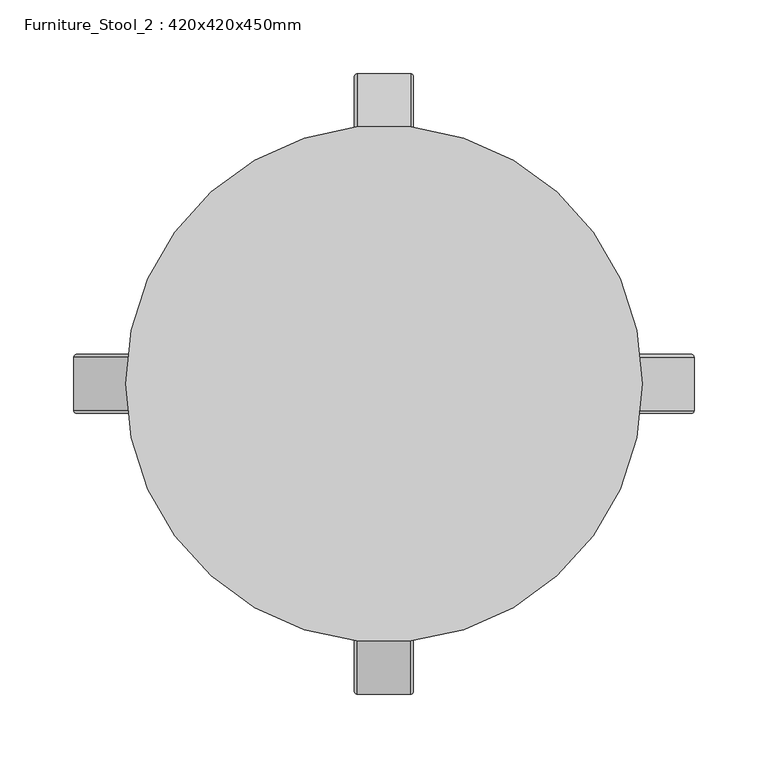
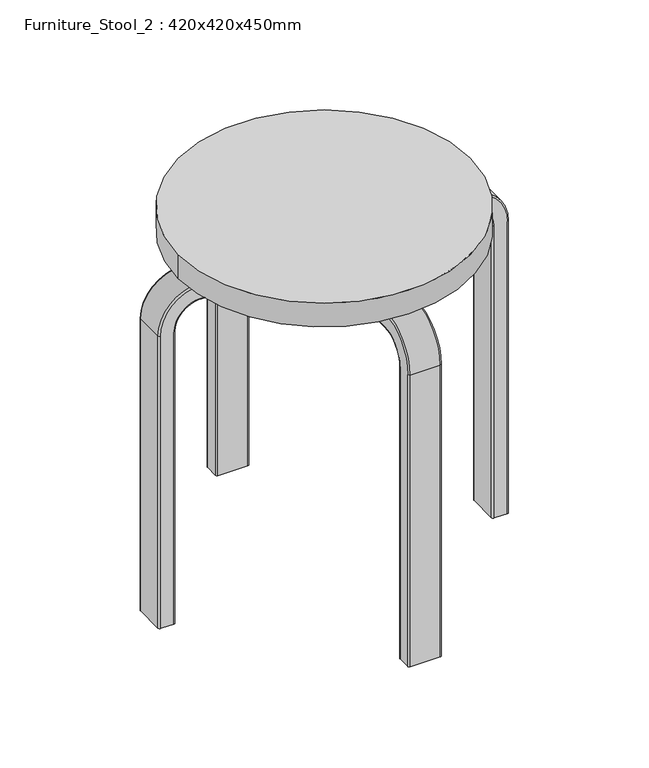
"""IFC4 building model written with IfcOpenShell, lengths in millimetres: furniture geometry, Furniture_Stool_2 : 420x420x450mm."""

from ifc_helpers import new_model, si_unit, point, frame, origin, origin_2d, place, context, project, spatial, polyline, circle_curve, ellipse_curve, trimmed, segment, composite_curve, outline, extrude, source, transform, mapped, element, save
from ifc_brep_helpers import plane_surface, cylinder_surface, revolved_surface, advanced_brep


def furniture_stool_2_420x420x450mm_24384e5f(model_context):
    return source(origin(), model_context, "Body", "SolidModel", [
        advanced_brep(
        [(-20.0, 192.0, 0.0), (-20.0, 208.0, 0.0), (-18.0, 210.0, 0.0), (18.0, 210.0, 0.0), (20.0, 208.0, 0.0), (20.0, 192.0, 0.0), (18.0, 190.0, 0.0), (-18.0, 190.0, 0.0), (-20.0, 192.0, 370.0), (-20.0, 160.0, 402.0), (-20.0, 54.9635481, 402.0), (-20.0, 54.9635481, 418.0), (-20.0, 160.0, 418.0), (-20.0, 208.0, 370.0), (-18.0, 210.0, 370.0), (18.0, 210.0, 370.0), (20.0, 208.0, 370.0), (20.0, 160.0, 418.0), (20.0, 54.9635481, 418.0), (20.0, 54.9635481, 402.0), (20.0, 160.0, 402.0), (20.0, 192.0, 370.0), (18.0, 190.0, 370.0), (-18.0, 190.0, 370.0), (-18.0, 160.0, 420.0), (18.0, 160.0, 420.0), (18.0, 160.0, 400.0), (-18.0, 160.0, 400.0), (-18.0, 54.9635481, 400.0), (18.0, 54.9635481, 400.0), (18.0, 54.9635481, 420.0), (-18.0, 54.9635481, 420.0)],
        [
            (0, 1),
            (1, 2, circle_curve(frame((-18.0, 208.0, 0.0), z_axis=(0.0, 0.0, -1.0), x_axis=(0.0, -1.0, 0.0)), 2.0)),
            (2, 3),
            (3, 4, circle_curve(frame((18.0, 208.0, 0.0), z_axis=(0.0, 0.0, -1.0), x_axis=(0.0, -1.0, 0.0)), 2.0)),
            (4, 5),
            (5, 6, circle_curve(frame((18.0, 192.0, 0.0), z_axis=(0.0, 0.0, -1.0), x_axis=(0.0, -1.0, 0.0)), 2.0)),
            (6, 7),
            (7, 0, circle_curve(frame((-18.0, 192.0, 0.0), z_axis=(0.0, 0.0, -1.0), x_axis=(0.0, -1.0, 0.0)), 2.0)),
            (0, 8),
            (8, 9, circle_curve(frame((-20.0, 160.0, 370.0), z_axis=(1.0, 0.0, 0.0), x_axis=(0.0, 1.0, 0.0)), 32.0)),
            (9, 10),
            (10, 11),
            (11, 12),
            (12, 13, circle_curve(frame((-20.0, 160.0, 370.0), z_axis=(-1.0, 0.0, 0.0), x_axis=(0.0, 1.0, 0.0)), 48.0)),
            (13, 1),
            (13, 14, circle_curve(frame((-18.0, 208.0, 370.0), z_axis=(0.0, 0.0, -1.0), x_axis=(0.0, -1.0, 0.0)), 2.0)),
            (14, 2),
            (14, 15),
            (15, 3),
            (15, 16, circle_curve(frame((18.0, 208.0, 370.0), z_axis=(0.0, 0.0, -1.0), x_axis=(0.0, -1.0, 0.0)), 2.0)),
            (16, 4),
            (16, 17, circle_curve(frame((20.0, 160.0, 370.0), z_axis=(1.0, 0.0, 0.0), x_axis=(0.0, 1.0, 0.0)), 48.0)),
            (17, 18),
            (18, 19),
            (19, 20),
            (20, 21, circle_curve(frame((20.0, 160.0, 370.0), z_axis=(-1.0, 0.0, 0.0), x_axis=(0.0, 1.0, 0.0)), 32.0)),
            (21, 5),
            (21, 22, circle_curve(frame((18.0, 192.0, 370.0), z_axis=(0.0, 0.0, -1.0), x_axis=(0.0, -1.0, 0.0)), 2.0)),
            (22, 6),
            (22, 23),
            (23, 7),
            (23, 8, circle_curve(frame((-18.0, 192.0, 370.0), z_axis=(0.0, 0.0, -1.0), x_axis=(0.0, -1.0, 0.0)), 2.0)),
            (24, 14, circle_curve(frame((-18.0, 160.0, 370.0), z_axis=(-1.0, 0.0, 0.0), x_axis=(0.0, 1.0, 0.0)), 50.0)),
            (12, 24, circle_curve(frame((-18.0, 160.0, 418.0), z_axis=(0.0, 1.0, 0.0), x_axis=(0.0, 0.0, -1.0)), 2.0)),
            (25, 15, circle_curve(frame((18.0, 160.0, 370.0), z_axis=(-1.0, 0.0, 0.0), x_axis=(0.0, 1.0, 0.0)), 50.0)),
            (24, 25),
            (25, 17, circle_curve(frame((18.0, 160.0, 418.0), z_axis=(0.0, 1.0, 0.0), x_axis=(0.0, 0.0, -1.0)), 2.0)),
            (26, 22, circle_curve(frame((18.0, 160.0, 370.0), z_axis=(-1.0, 0.0, 0.0), x_axis=(0.0, 1.0, 0.0)), 30.0)),
            (20, 26, circle_curve(frame((18.0, 160.0, 402.0), z_axis=(0.0, 1.0, 0.0), x_axis=(0.0, 0.0, -1.0)), 2.0)),
            (27, 23, circle_curve(frame((-18.0, 160.0, 370.0), z_axis=(-1.0, 0.0, 0.0), x_axis=(0.0, 1.0, 0.0)), 30.0)),
            (26, 27),
            (27, 9, circle_curve(frame((-18.0, 160.0, 402.0), z_axis=(0.0, 1.0, 0.0), x_axis=(0.0, 0.0, -1.0)), 2.0)),
            (10, 28, circle_curve(frame((-18.0, 54.9635481, 402.0), z_axis=(0.0, -1.0, 0.0), x_axis=(0.0, 0.0, -1.0)), 2.0)),
            (28, 29),
            (29, 19, circle_curve(frame((18.0, 54.9635481, 402.0), z_axis=(0.0, -1.0, 0.0), x_axis=(0.0, 0.0, -1.0)), 2.0)),
            (18, 30, circle_curve(frame((18.0, 54.9635481, 418.0), z_axis=(0.0, -1.0, 0.0), x_axis=(0.0, 0.0, -1.0)), 2.0)),
            (30, 31),
            (31, 11, circle_curve(frame((-18.0, 54.9635481, 418.0), z_axis=(0.0, -1.0, 0.0), x_axis=(0.0, 0.0, -1.0)), 2.0)),
            (31, 24),
            (30, 25),
            (29, 26),
            (28, 27),
        ],
        [
            plane_surface(frame((0.0, 210.0, 0.0), z_axis=(0.0, 0.0, -1.0), x_axis=(1.0, 0.0, 0.0))),
            plane_surface(frame((-20.0, 192.0, 0.0), z_axis=(-1.0, 0.0, 0.0), x_axis=(0.0, 0.0, 1.0))),
            cylinder_surface(frame((-18.0, 208.0, 0.0), z_axis=(0.0, 0.0, -1.0), x_axis=(0.0, -1.0, 0.0)), 2.0),
            plane_surface(frame((-18.0, 210.0, 0.0), z_axis=(0.0, 1.0, 0.0), x_axis=(0.0, 0.0, 1.0))),
            cylinder_surface(frame((18.0, 208.0, 0.0), z_axis=(0.0, 0.0, -1.0), x_axis=(0.0, -1.0, 0.0)), 2.0),
            plane_surface(frame((20.0, 208.0, 0.0), z_axis=(1.0, 0.0, 0.0), x_axis=(0.0, 0.0, 1.0))),
            cylinder_surface(frame((18.0, 192.0, 0.0), z_axis=(0.0, 0.0, -1.0), x_axis=(0.0, -1.0, 0.0)), 2.0),
            plane_surface(frame((18.0, 190.0, 0.0), z_axis=(0.0, -1.0, 0.0), x_axis=(0.0, 0.0, 1.0))),
            cylinder_surface(frame((-18.0, 192.0, 0.0), z_axis=(0.0, 0.0, -1.0), x_axis=(0.0, -1.0, 0.0)), 2.0),
            revolved_surface(trimmed(ellipse_curve(frame((-18.0, 208.0, 370.0), z_axis=(0.0, 0.0, -1.0), x_axis=(0.0, -1.0, 0.0)), 2.0, 2.0), [point((-20.0, 208.0, 370.0))], [point((-18.0, 210.0, 370.0))], True, "CARTESIAN"), (0.0, 160.0, 370.0), (1.0, 0.0, 0.0)),
            cylinder_surface(frame((0.0, 160.0, 370.0), z_axis=(1.0, 0.0, 0.0), x_axis=(0.0, 1.0, 0.0)), 50.0),
            revolved_surface(trimmed(ellipse_curve(frame((18.0, 208.0, 370.0), z_axis=(0.0, 0.0, -1.0), x_axis=(0.0, -1.0, 0.0)), 2.0, 2.0), [point((18.0, 210.0, 370.0))], [point((20.0, 208.0, 370.0))], True, "CARTESIAN"), (0.0, 160.0, 370.0), (1.0, 0.0, 0.0)),
            revolved_surface(trimmed(ellipse_curve(frame((18.0, 192.0, 370.0), z_axis=(0.0, 0.0, -1.0), x_axis=(0.0, -1.0, 0.0)), 2.0, 2.0), [point((20.0, 192.0, 370.0))], [point((18.0, 190.0, 370.0))], True, "CARTESIAN"), (0.0, 160.0, 370.0), (1.0, 0.0, 0.0)),
            revolved_surface(polyline([(18.0, 190.0, 370.0), (-18.0, 190.0, 370.0)]), (0.0, 160.0, 370.0), (1.0, 0.0, 0.0)),
            revolved_surface(trimmed(ellipse_curve(frame((-18.0, 192.0, 370.0), z_axis=(0.0, 0.0, -1.0), x_axis=(0.0, -1.0, 0.0)), 2.0, 2.0), [point((-18.0, 190.0, 370.0))], [point((-20.0, 192.0, 370.0))], True, "CARTESIAN"), (0.0, 160.0, 370.0), (1.0, 0.0, 0.0)),
            plane_surface(frame((0.0, 54.9635481, 420.0), z_axis=(0.0, -1.0, 0.0), x_axis=(1.0, 0.0, 0.0))),
            cylinder_surface(frame((-18.0, 160.0, 418.0), z_axis=(0.0, 1.0, 0.0), x_axis=(0.0, 0.0, -1.0)), 2.0),
            plane_surface(frame((-18.0, 160.0, 420.0), z_axis=(0.0, 0.0, 1.0), x_axis=(0.0, -1.0, 0.0))),
            cylinder_surface(frame((18.0, 160.0, 418.0), z_axis=(0.0, 1.0, 0.0), x_axis=(0.0, 0.0, -1.0)), 2.0),
            cylinder_surface(frame((18.0, 160.0, 402.0), z_axis=(0.0, 1.0, 0.0), x_axis=(0.0, 0.0, -1.0)), 2.0),
            plane_surface(frame((18.0, 160.0, 400.0), z_axis=(0.0, 0.0, -1.0), x_axis=(0.0, -1.0, 0.0))),
            cylinder_surface(frame((-18.0, 160.0, 402.0), z_axis=(0.0, 1.0, 0.0), x_axis=(0.0, 0.0, -1.0)), 2.0),
        ],
        [
            (0, [[1, 2, 3, 4, 5, 6, 7, 8]]),
            (1, [[-1, 9, 10, 11, 12, 13, 14, 15]]),
            (2, [[-2, -15, 16, 17]]),
            (3, [[-3, -17, 18, 19]]),
            (4, [[-4, -19, 20, 21]]),
            (5, [[-5, -21, 22, 23, 24, 25, 26, 27]]),
            (6, [[-6, -27, 28, 29]]),
            (7, [[-7, -29, 30, 31]]),
            (8, [[-8, -31, 32, -9]]),
            (9, [[33, -16, -14, 34]]),
            (10, [[35, -18, -33, 36]]),
            (11, [[-22, -20, -35, 37]]),
            (12, [[38, -28, -26, 39]]),
            (13, [[40, -30, -38, 41]]),
            (14, [[-10, -32, -40, 42]]),
            (15, [[43, 44, 45, -24, 46, 47, 48, -12]]),
            (16, [[-34, -13, -48, 49]]),
            (17, [[-36, -49, -47, 50]]),
            (18, [[-37, -50, -46, -23]]),
            (19, [[-39, -25, -45, 51]]),
            (20, [[-41, -51, -44, 52]]),
            (21, [[-42, -52, -43, -11]]),
        ],
    ),
        advanced_brep(
        [(-20.0, -192.0, 0.0), (-18.0, -190.0, 0.0), (18.0, -190.0, 0.0), (20.0, -192.0, 0.0), (20.0, -208.0, 0.0), (18.0, -210.0, 0.0), (-18.0, -210.0, 0.0), (-20.0, -208.0, 0.0), (-20.0, -192.0, 370.0), (-18.0, -190.0, 370.0), (18.0, -190.0, 370.0), (20.0, -192.0, 370.0), (20.0, -160.0, 402.0), (20.0, -54.9635481, 402.0), (20.0, -54.9635481, 418.0), (20.0, -160.0, 418.0), (20.0, -208.0, 370.0), (18.0, -210.0, 370.0), (-18.0, -210.0, 370.0), (-20.0, -208.0, 370.0), (-20.0, -160.0, 418.0), (-20.0, -54.9635481, 418.0), (-20.0, -54.9635481, 402.0), (-20.0, -160.0, 402.0), (-18.0, -160.0, 400.0), (18.0, -160.0, 400.0), (18.0, -160.0, 420.0), (-18.0, -160.0, 420.0), (-18.0, -54.9635481, 420.0), (18.0, -54.9635481, 420.0), (18.0, -54.9635481, 400.0), (-18.0, -54.9635481, 400.0)],
        [
            (0, 1, circle_curve(frame((-18.0, -192.0, 0.0), z_axis=(0.0, 0.0, -1.0), x_axis=(0.0, 1.0, 0.0)), 2.0)),
            (1, 2),
            (2, 3, circle_curve(frame((18.0, -192.0, 0.0), z_axis=(0.0, 0.0, -1.0), x_axis=(0.0, 1.0, 0.0)), 2.0)),
            (3, 4),
            (4, 5, circle_curve(frame((18.0, -208.0, 0.0), z_axis=(0.0, 0.0, -1.0), x_axis=(0.0, 1.0, 0.0)), 2.0)),
            (5, 6),
            (6, 7, circle_curve(frame((-18.0, -208.0, 0.0), z_axis=(0.0, 0.0, -1.0), x_axis=(0.0, 1.0, 0.0)), 2.0)),
            (7, 0),
            (0, 8),
            (8, 9, circle_curve(frame((-18.0, -192.0, 370.0), z_axis=(0.0, 0.0, -1.0), x_axis=(0.0, 1.0, 0.0)), 2.0)),
            (9, 1),
            (9, 10),
            (10, 2),
            (10, 11, circle_curve(frame((18.0, -192.0, 370.0), z_axis=(0.0, 0.0, -1.0), x_axis=(0.0, 1.0, 0.0)), 2.0)),
            (11, 3),
            (11, 12, circle_curve(frame((20.0, -160.0, 370.0), z_axis=(-1.0, 0.0, 0.0), x_axis=(0.0, -1.0, 0.0)), 32.0)),
            (12, 13),
            (13, 14),
            (14, 15),
            (15, 16, circle_curve(frame((20.0, -160.0, 370.0), z_axis=(1.0, 0.0, 0.0), x_axis=(0.0, -1.0, 0.0)), 48.0)),
            (16, 4),
            (16, 17, circle_curve(frame((18.0, -208.0, 370.0), z_axis=(0.0, 0.0, -1.0), x_axis=(0.0, 1.0, 0.0)), 2.0)),
            (17, 5),
            (17, 18),
            (18, 6),
            (18, 19, circle_curve(frame((-18.0, -208.0, 370.0), z_axis=(0.0, 0.0, -1.0), x_axis=(0.0, 1.0, 0.0)), 2.0)),
            (19, 7),
            (19, 20, circle_curve(frame((-20.0, -160.0, 370.0), z_axis=(-1.0, 0.0, 0.0), x_axis=(0.0, -1.0, 0.0)), 48.0)),
            (20, 21),
            (21, 22),
            (22, 23),
            (23, 8, circle_curve(frame((-20.0, -160.0, 370.0), z_axis=(1.0, 0.0, 0.0), x_axis=(0.0, -1.0, 0.0)), 32.0)),
            (24, 9, circle_curve(frame((-18.0, -160.0, 370.0), z_axis=(1.0, 0.0, 0.0), x_axis=(0.0, -1.0, 0.0)), 30.0)),
            (23, 24, circle_curve(frame((-18.0, -160.0, 402.0), z_axis=(0.0, -1.0, 0.0), x_axis=(0.0, 0.0, -1.0)), 2.0)),
            (25, 10, circle_curve(frame((18.0, -160.0, 370.0), z_axis=(1.0, 0.0, 0.0), x_axis=(0.0, -1.0, 0.0)), 30.0)),
            (24, 25),
            (25, 12, circle_curve(frame((18.0, -160.0, 402.0), z_axis=(0.0, -1.0, 0.0), x_axis=(0.0, 0.0, -1.0)), 2.0)),
            (26, 17, circle_curve(frame((18.0, -160.0, 370.0), z_axis=(1.0, 0.0, 0.0), x_axis=(0.0, -1.0, 0.0)), 50.0)),
            (15, 26, circle_curve(frame((18.0, -160.0, 418.0), z_axis=(0.0, -1.0, 0.0), x_axis=(0.0, 0.0, -1.0)), 2.0)),
            (27, 18, circle_curve(frame((-18.0, -160.0, 370.0), z_axis=(1.0, 0.0, 0.0), x_axis=(0.0, -1.0, 0.0)), 50.0)),
            (26, 27),
            (27, 20, circle_curve(frame((-18.0, -160.0, 418.0), z_axis=(0.0, -1.0, 0.0), x_axis=(0.0, 0.0, -1.0)), 2.0)),
            (21, 28, circle_curve(frame((-18.0, -54.9635481, 418.0), z_axis=(0.0, 1.0, 0.0), x_axis=(0.0, 0.0, -1.0)), 2.0)),
            (28, 29),
            (29, 14, circle_curve(frame((18.0, -54.9635481, 418.0), z_axis=(0.0, 1.0, 0.0), x_axis=(0.0, 0.0, -1.0)), 2.0)),
            (13, 30, circle_curve(frame((18.0, -54.9635481, 402.0), z_axis=(0.0, 1.0, 0.0), x_axis=(0.0, 0.0, -1.0)), 2.0)),
            (30, 31),
            (31, 22, circle_curve(frame((-18.0, -54.9635481, 402.0), z_axis=(0.0, 1.0, 0.0), x_axis=(0.0, 0.0, -1.0)), 2.0)),
            (31, 24),
            (30, 25),
            (29, 26),
            (28, 27),
        ],
        [
            plane_surface(frame((0.0, -210.0, 0.0), z_axis=(0.0, 0.0, -1.0), x_axis=(1.0, 0.0, 0.0))),
            cylinder_surface(frame((-18.0, -192.0, 0.0), z_axis=(0.0, 0.0, -1.0), x_axis=(0.0, 1.0, 0.0)), 2.0),
            plane_surface(frame((-18.0, -190.0, 0.0), z_axis=(0.0, 1.0, 0.0), x_axis=(0.0, 0.0, 1.0))),
            cylinder_surface(frame((18.0, -192.0, 0.0), z_axis=(0.0, 0.0, -1.0), x_axis=(0.0, 1.0, 0.0)), 2.0),
            plane_surface(frame((20.0, -192.0, 0.0), z_axis=(1.0, 0.0, 0.0), x_axis=(0.0, 0.0, 1.0))),
            cylinder_surface(frame((18.0, -208.0, 0.0), z_axis=(0.0, 0.0, -1.0), x_axis=(0.0, 1.0, 0.0)), 2.0),
            plane_surface(frame((18.0, -210.0, 0.0), z_axis=(0.0, -1.0, 0.0), x_axis=(0.0, 0.0, 1.0))),
            cylinder_surface(frame((-18.0, -208.0, 0.0), z_axis=(0.0, 0.0, -1.0), x_axis=(0.0, 1.0, 0.0)), 2.0),
            plane_surface(frame((-20.0, -208.0, 0.0), z_axis=(-1.0, 0.0, 0.0), x_axis=(0.0, 0.0, 1.0))),
            revolved_surface(trimmed(ellipse_curve(frame((-18.0, -192.0, 370.0), z_axis=(0.0, 0.0, -1.0), x_axis=(0.0, 1.0, 0.0)), 2.0, 2.0), [point((-20.0, -192.0, 370.0))], [point((-18.0, -190.0, 370.0))], True, "CARTESIAN"), (0.0, -160.0, 370.0), (-1.0, 0.0, 0.0)),
            revolved_surface(polyline([(-18.0, -190.0, 370.0), (18.0, -190.0, 370.0)]), (0.0, -160.0, 370.0), (-1.0, 0.0, 0.0)),
            revolved_surface(trimmed(ellipse_curve(frame((18.0, -192.0, 370.0), z_axis=(0.0, 0.0, -1.0), x_axis=(0.0, 1.0, 0.0)), 2.0, 2.0), [point((18.0, -190.0, 370.0))], [point((20.0, -192.0, 370.0))], True, "CARTESIAN"), (0.0, -160.0, 370.0), (-1.0, 0.0, 0.0)),
            revolved_surface(trimmed(ellipse_curve(frame((18.0, -208.0, 370.0), z_axis=(0.0, 0.0, -1.0), x_axis=(0.0, 1.0, 0.0)), 2.0, 2.0), [point((20.0, -208.0, 370.0))], [point((18.0, -210.0, 370.0))], True, "CARTESIAN"), (0.0, -160.0, 370.0), (-1.0, 0.0, 0.0)),
            cylinder_surface(frame((0.0, -160.0, 370.0), z_axis=(-1.0, 0.0, 0.0), x_axis=(0.0, -1.0, 0.0)), 50.0),
            revolved_surface(trimmed(ellipse_curve(frame((-18.0, -208.0, 370.0), z_axis=(0.0, 0.0, -1.0), x_axis=(0.0, 1.0, 0.0)), 2.0, 2.0), [point((-18.0, -210.0, 370.0))], [point((-20.0, -208.0, 370.0))], True, "CARTESIAN"), (0.0, -160.0, 370.0), (-1.0, 0.0, 0.0)),
            plane_surface(frame((0.0, -54.9635481, 420.0), z_axis=(0.0, 1.0, 0.0), x_axis=(1.0, 0.0, 0.0))),
            cylinder_surface(frame((-18.0, -160.0, 402.0), z_axis=(0.0, -1.0, 0.0), x_axis=(0.0, 0.0, -1.0)), 2.0),
            plane_surface(frame((-18.0, -160.0, 400.0), z_axis=(0.0, 0.0, -1.0), x_axis=(0.0, 1.0, 0.0))),
            cylinder_surface(frame((18.0, -160.0, 402.0), z_axis=(0.0, -1.0, 0.0), x_axis=(0.0, 0.0, -1.0)), 2.0),
            cylinder_surface(frame((18.0, -160.0, 418.0), z_axis=(0.0, -1.0, 0.0), x_axis=(0.0, 0.0, -1.0)), 2.0),
            plane_surface(frame((18.0, -160.0, 420.0), z_axis=(0.0, 0.0, 1.0), x_axis=(0.0, 1.0, 0.0))),
            cylinder_surface(frame((-18.0, -160.0, 418.0), z_axis=(0.0, -1.0, 0.0), x_axis=(0.0, 0.0, -1.0)), 2.0),
        ],
        [
            (0, [[1, 2, 3, 4, 5, 6, 7, 8]]),
            (1, [[-1, 9, 10, 11]]),
            (2, [[-2, -11, 12, 13]]),
            (3, [[-3, -13, 14, 15]]),
            (4, [[-4, -15, 16, 17, 18, 19, 20, 21]]),
            (5, [[-5, -21, 22, 23]]),
            (6, [[-6, -23, 24, 25]]),
            (7, [[-7, -25, 26, 27]]),
            (8, [[-8, -27, 28, 29, 30, 31, 32, -9]]),
            (9, [[33, -10, -32, 34]]),
            (10, [[35, -12, -33, 36]]),
            (11, [[-16, -14, -35, 37]]),
            (12, [[38, -22, -20, 39]]),
            (13, [[40, -24, -38, 41]]),
            (14, [[-28, -26, -40, 42]]),
            (15, [[-30, 43, 44, 45, -18, 46, 47, 48]]),
            (16, [[-34, -31, -48, 49]]),
            (17, [[-36, -49, -47, 50]]),
            (18, [[-37, -50, -46, -17]]),
            (19, [[-39, -19, -45, 51]]),
            (20, [[-41, -51, -44, 52]]),
            (21, [[-42, -52, -43, -29]]),
        ],
    ),
        advanced_brep(
        [(192.0, 20.0, 0.0), (208.0, 20.0, 0.0), (210.0, 18.0, 0.0), (210.0, -18.0, 0.0), (208.0, -20.0, 0.0), (192.0, -20.0, 0.0), (190.0, -18.0, 0.0), (190.0, 18.0, 0.0), (192.0, 20.0, 370.0), (160.0, 20.0, 402.0), (54.9635481, 20.0, 402.0), (54.9635481, 20.0, 418.0), (160.0, 20.0, 418.0), (208.0, 20.0, 370.0), (210.0, 18.0, 370.0), (210.0, -18.0, 370.0), (208.0, -20.0, 370.0), (160.0, -20.0, 418.0), (54.9635481, -20.0, 418.0), (54.9635481, -20.0, 402.0), (160.0, -20.0, 402.0), (192.0, -20.0, 370.0), (190.0, -18.0, 370.0), (190.0, 18.0, 370.0), (160.0, 18.0, 420.0), (160.0, -18.0, 420.0), (160.0, -18.0, 400.0), (160.0, 18.0, 400.0), (54.9635481, 18.0, 400.0), (54.9635481, -18.0, 400.0), (54.9635481, -18.0, 420.0), (54.9635481, 18.0, 420.0)],
        [
            (0, 1),
            (1, 2, circle_curve(frame((208.0, 18.0, 0.0), z_axis=(0.0, 0.0, -1.0), x_axis=(-1.0, 0.0, 0.0)), 2.0)),
            (2, 3),
            (3, 4, circle_curve(frame((208.0, -18.0, 0.0), z_axis=(0.0, 0.0, -1.0), x_axis=(-1.0, 0.0, 0.0)), 2.0)),
            (4, 5),
            (5, 6, circle_curve(frame((192.0, -18.0, 0.0), z_axis=(0.0, 0.0, -1.0), x_axis=(-1.0, 0.0, 0.0)), 2.0)),
            (6, 7),
            (7, 0, circle_curve(frame((192.0, 18.0, 0.0), z_axis=(0.0, 0.0, -1.0), x_axis=(-1.0, 0.0, 0.0)), 2.0)),
            (0, 8),
            (8, 9, circle_curve(frame((160.0, 20.0, 370.0), z_axis=(0.0, -1.0, 0.0), x_axis=(1.0, 0.0, 0.0)), 32.0)),
            (9, 10),
            (10, 11),
            (11, 12),
            (12, 13, circle_curve(frame((160.0, 20.0, 370.0), z_axis=(0.0, 1.0, 0.0), x_axis=(1.0, 0.0, 0.0)), 48.0)),
            (13, 1),
            (13, 14, circle_curve(frame((208.0, 18.0, 370.0), z_axis=(0.0, 0.0, -1.0), x_axis=(-1.0, 0.0, 0.0)), 2.0)),
            (14, 2),
            (14, 15),
            (15, 3),
            (15, 16, circle_curve(frame((208.0, -18.0, 370.0), z_axis=(0.0, 0.0, -1.0), x_axis=(-1.0, 0.0, 0.0)), 2.0)),
            (16, 4),
            (16, 17, circle_curve(frame((160.0, -20.0, 370.0), z_axis=(0.0, -1.0, 0.0), x_axis=(1.0, 0.0, 0.0)), 48.0)),
            (17, 18),
            (18, 19),
            (19, 20),
            (20, 21, circle_curve(frame((160.0, -20.0, 370.0), z_axis=(0.0, 1.0, 0.0), x_axis=(1.0, 0.0, 0.0)), 32.0)),
            (21, 5),
            (21, 22, circle_curve(frame((192.0, -18.0, 370.0), z_axis=(0.0, 0.0, -1.0), x_axis=(-1.0, 0.0, 0.0)), 2.0)),
            (22, 6),
            (22, 23),
            (23, 7),
            (23, 8, circle_curve(frame((192.0, 18.0, 370.0), z_axis=(0.0, 0.0, -1.0), x_axis=(-1.0, 0.0, 0.0)), 2.0)),
            (24, 14, circle_curve(frame((160.0, 18.0, 370.0), z_axis=(0.0, 1.0, 0.0), x_axis=(1.0, 0.0, 0.0)), 50.0)),
            (12, 24, circle_curve(frame((160.0, 18.0, 418.0), z_axis=(1.0, 0.0, 0.0), x_axis=(0.0, 0.0, -1.0)), 2.0)),
            (25, 15, circle_curve(frame((160.0, -18.0, 370.0), z_axis=(0.0, 1.0, 0.0), x_axis=(1.0, 0.0, 0.0)), 50.0)),
            (24, 25),
            (25, 17, circle_curve(frame((160.0, -18.0, 418.0), z_axis=(1.0, 0.0, 0.0), x_axis=(0.0, 0.0, -1.0)), 2.0)),
            (26, 22, circle_curve(frame((160.0, -18.0, 370.0), z_axis=(0.0, 1.0, 0.0), x_axis=(1.0, 0.0, 0.0)), 30.0)),
            (20, 26, circle_curve(frame((160.0, -18.0, 402.0), z_axis=(1.0, 0.0, 0.0), x_axis=(0.0, 0.0, -1.0)), 2.0)),
            (27, 23, circle_curve(frame((160.0, 18.0, 370.0), z_axis=(0.0, 1.0, 0.0), x_axis=(1.0, 0.0, 0.0)), 30.0)),
            (26, 27),
            (27, 9, circle_curve(frame((160.0, 18.0, 402.0), z_axis=(1.0, 0.0, 0.0), x_axis=(0.0, 0.0, -1.0)), 2.0)),
            (10, 28, circle_curve(frame((54.9635481, 18.0, 402.0), z_axis=(-1.0, 0.0, 0.0), x_axis=(0.0, 0.0, -1.0)), 2.0)),
            (28, 29),
            (29, 19, circle_curve(frame((54.9635481, -18.0, 402.0), z_axis=(-1.0, 0.0, 0.0), x_axis=(0.0, 0.0, -1.0)), 2.0)),
            (18, 30, circle_curve(frame((54.9635481, -18.0, 418.0), z_axis=(-1.0, 0.0, 0.0), x_axis=(0.0, 0.0, -1.0)), 2.0)),
            (30, 31),
            (31, 11, circle_curve(frame((54.9635481, 18.0, 418.0), z_axis=(-1.0, 0.0, 0.0), x_axis=(0.0, 0.0, -1.0)), 2.0)),
            (31, 24),
            (30, 25),
            (29, 26),
            (28, 27),
        ],
        [
            plane_surface(frame((210.0, 0.0, 0.0), z_axis=(0.0, 0.0, -1.0), x_axis=(0.0, -1.0, 0.0))),
            plane_surface(frame((192.0, 20.0, 0.0), z_axis=(0.0, 1.0, 0.0), x_axis=(0.0, 0.0, 1.0))),
            cylinder_surface(frame((208.0, 18.0, 0.0), z_axis=(0.0, 0.0, -1.0), x_axis=(-1.0, 0.0, 0.0)), 2.0),
            plane_surface(frame((210.0, 18.0, 0.0), z_axis=(1.0, 0.0, 0.0), x_axis=(0.0, 0.0, 1.0))),
            cylinder_surface(frame((208.0, -18.0, 0.0), z_axis=(0.0, 0.0, -1.0), x_axis=(-1.0, 0.0, 0.0)), 2.0),
            plane_surface(frame((208.0, -20.0, 0.0), z_axis=(0.0, -1.0, 0.0), x_axis=(0.0, 0.0, 1.0))),
            cylinder_surface(frame((192.0, -18.0, 0.0), z_axis=(0.0, 0.0, -1.0), x_axis=(-1.0, 0.0, 0.0)), 2.0),
            plane_surface(frame((190.0, -18.0, 0.0), z_axis=(-1.0, 0.0, 0.0), x_axis=(0.0, 0.0, 1.0))),
            cylinder_surface(frame((192.0, 18.0, 0.0), z_axis=(0.0, 0.0, -1.0), x_axis=(-1.0, 0.0, 0.0)), 2.0),
            revolved_surface(trimmed(ellipse_curve(frame((208.0, 18.0, 370.0), z_axis=(0.0, 0.0, -1.0), x_axis=(-1.0, 0.0, 0.0)), 2.0, 2.0), [point((208.0, 20.0, 370.0))], [point((210.0, 18.0, 370.0))], True, "CARTESIAN"), (160.0, 0.0, 370.0), (0.0, -1.0, 0.0)),
            cylinder_surface(frame((160.0, 0.0, 370.0), z_axis=(0.0, -1.0, 0.0), x_axis=(1.0, 0.0, 0.0)), 50.0),
            revolved_surface(trimmed(ellipse_curve(frame((208.0, -18.0, 370.0), z_axis=(0.0, 0.0, -1.0), x_axis=(-1.0, 0.0, 0.0)), 2.0, 2.0), [point((210.0, -18.0, 370.0))], [point((208.0, -20.0, 370.0))], True, "CARTESIAN"), (160.0, 0.0, 370.0), (0.0, -1.0, 0.0)),
            revolved_surface(trimmed(ellipse_curve(frame((192.0, -18.0, 370.0), z_axis=(0.0, 0.0, -1.0), x_axis=(-1.0, 0.0, 0.0)), 2.0, 2.0), [point((192.0, -20.0, 370.0))], [point((190.0, -18.0, 370.0))], True, "CARTESIAN"), (160.0, 0.0, 370.0), (0.0, -1.0, 0.0)),
            revolved_surface(polyline([(190.0, -18.0, 370.0), (190.0, 18.0, 370.0)]), (160.0, 0.0, 370.0), (0.0, -1.0, 0.0)),
            revolved_surface(trimmed(ellipse_curve(frame((192.0, 18.0, 370.0), z_axis=(0.0, 0.0, -1.0), x_axis=(-1.0, 0.0, 0.0)), 2.0, 2.0), [point((190.0, 18.0, 370.0))], [point((192.0, 20.0, 370.0))], True, "CARTESIAN"), (160.0, 0.0, 370.0), (0.0, -1.0, 0.0)),
            plane_surface(frame((54.9635481, 0.0, 420.0), z_axis=(-1.0, 0.0, 0.0), x_axis=(0.0, -1.0, 0.0))),
            cylinder_surface(frame((160.0, 18.0, 418.0), z_axis=(1.0, 0.0, 0.0), x_axis=(0.0, 0.0, -1.0)), 2.0),
            plane_surface(frame((160.0, 18.0, 420.0), z_axis=(0.0, 0.0, 1.0), x_axis=(-1.0, 0.0, 0.0))),
            cylinder_surface(frame((160.0, -18.0, 418.0), z_axis=(1.0, 0.0, 0.0), x_axis=(0.0, 0.0, -1.0)), 2.0),
            cylinder_surface(frame((160.0, -18.0, 402.0), z_axis=(1.0, 0.0, 0.0), x_axis=(0.0, 0.0, -1.0)), 2.0),
            plane_surface(frame((160.0, -18.0, 400.0), z_axis=(0.0, 0.0, -1.0), x_axis=(-1.0, 0.0, 0.0))),
            cylinder_surface(frame((160.0, 18.0, 402.0), z_axis=(1.0, 0.0, 0.0), x_axis=(0.0, 0.0, -1.0)), 2.0),
        ],
        [
            (0, [[1, 2, 3, 4, 5, 6, 7, 8]]),
            (1, [[-1, 9, 10, 11, 12, 13, 14, 15]]),
            (2, [[-2, -15, 16, 17]]),
            (3, [[-3, -17, 18, 19]]),
            (4, [[-4, -19, 20, 21]]),
            (5, [[-5, -21, 22, 23, 24, 25, 26, 27]]),
            (6, [[-6, -27, 28, 29]]),
            (7, [[-7, -29, 30, 31]]),
            (8, [[-8, -31, 32, -9]]),
            (9, [[33, -16, -14, 34]]),
            (10, [[35, -18, -33, 36]]),
            (11, [[-22, -20, -35, 37]]),
            (12, [[38, -28, -26, 39]]),
            (13, [[40, -30, -38, 41]]),
            (14, [[-10, -32, -40, 42]]),
            (15, [[43, 44, 45, -24, 46, 47, 48, -12]]),
            (16, [[-34, -13, -48, 49]]),
            (17, [[-36, -49, -47, 50]]),
            (18, [[-37, -50, -46, -23]]),
            (19, [[-39, -25, -45, 51]]),
            (20, [[-41, -51, -44, 52]]),
            (21, [[-42, -52, -43, -11]]),
        ],
    ),
        extrude(outline(composite_curve([segment(trimmed(circle_curve(origin_2d(), 175.0), [point((-175.0, 0.0))], [point((175.0, 0.0))], False, "CARTESIAN"), True, "CONTINUOUS"), segment(trimmed(circle_curve(origin_2d(), 175.0), [point((175.0, 0.0))], [point((-175.0, 0.0))], False, "CARTESIAN"), True, "CONTINUOUS")], self_intersect=False)), frame((0.0, 0.0, 420.0), z_axis=(0.0, 0.0, 1.0), x_axis=(1.0, 0.0, 0.0)), (0.0, 0.0, 1.0), 30.0),
        advanced_brep(
        [(-192.0, 20.0, 0.0), (-190.0, 18.0, 0.0), (-190.0, -18.0, 0.0), (-192.0, -20.0, 0.0), (-208.0, -20.0, 0.0), (-210.0, -18.0, 0.0), (-210.0, 18.0, 0.0), (-208.0, 20.0, 0.0), (-192.0, 20.0, 370.0), (-190.0, 18.0, 370.0), (-190.0, -18.0, 370.0), (-192.0, -20.0, 370.0), (-160.0, -20.0, 402.0), (-54.9635481, -20.0, 402.0), (-54.9635481, -20.0, 418.0), (-160.0, -20.0, 418.0), (-208.0, -20.0, 370.0), (-210.0, -18.0, 370.0), (-210.0, 18.0, 370.0), (-208.0, 20.0, 370.0), (-160.0, 20.0, 418.0), (-54.9635481, 20.0, 418.0), (-54.9635481, 20.0, 402.0), (-160.0, 20.0, 402.0), (-160.0, 18.0, 400.0), (-160.0, -18.0, 400.0), (-160.0, -18.0, 420.0), (-160.0, 18.0, 420.0), (-54.9635481, 18.0, 420.0), (-54.9635481, -18.0, 420.0), (-54.9635481, -18.0, 400.0), (-54.9635481, 18.0, 400.0)],
        [
            (0, 1, circle_curve(frame((-192.0, 18.0, 0.0), z_axis=(0.0, 0.0, -1.0), x_axis=(1.0, 0.0, 0.0)), 2.0)),
            (1, 2),
            (2, 3, circle_curve(frame((-192.0, -18.0, 0.0), z_axis=(0.0, 0.0, -1.0), x_axis=(1.0, 0.0, 0.0)), 2.0)),
            (3, 4),
            (4, 5, circle_curve(frame((-208.0, -18.0, 0.0), z_axis=(0.0, 0.0, -1.0), x_axis=(1.0, 0.0, 0.0)), 2.0)),
            (5, 6),
            (6, 7, circle_curve(frame((-208.0, 18.0, 0.0), z_axis=(0.0, 0.0, -1.0), x_axis=(1.0, 0.0, 0.0)), 2.0)),
            (7, 0),
            (0, 8),
            (8, 9, circle_curve(frame((-192.0, 18.0, 370.0), z_axis=(0.0, 0.0, -1.0), x_axis=(1.0, 0.0, 0.0)), 2.0)),
            (9, 1),
            (9, 10),
            (10, 2),
            (10, 11, circle_curve(frame((-192.0, -18.0, 370.0), z_axis=(0.0, 0.0, -1.0), x_axis=(1.0, 0.0, 0.0)), 2.0)),
            (11, 3),
            (11, 12, circle_curve(frame((-160.0, -20.0, 370.0), z_axis=(0.0, 1.0, 0.0), x_axis=(-1.0, 0.0, 0.0)), 32.0)),
            (12, 13),
            (13, 14),
            (14, 15),
            (15, 16, circle_curve(frame((-160.0, -20.0, 370.0), z_axis=(0.0, -1.0, 0.0), x_axis=(-1.0, 0.0, 0.0)), 48.0)),
            (16, 4),
            (16, 17, circle_curve(frame((-208.0, -18.0, 370.0), z_axis=(0.0, 0.0, -1.0), x_axis=(1.0, 0.0, 0.0)), 2.0)),
            (17, 5),
            (17, 18),
            (18, 6),
            (18, 19, circle_curve(frame((-208.0, 18.0, 370.0), z_axis=(0.0, 0.0, -1.0), x_axis=(1.0, 0.0, 0.0)), 2.0)),
            (19, 7),
            (19, 20, circle_curve(frame((-160.0, 20.0, 370.0), z_axis=(0.0, 1.0, 0.0), x_axis=(-1.0, 0.0, 0.0)), 48.0)),
            (20, 21),
            (21, 22),
            (22, 23),
            (23, 8, circle_curve(frame((-160.0, 20.0, 370.0), z_axis=(0.0, -1.0, 0.0), x_axis=(-1.0, 0.0, 0.0)), 32.0)),
            (24, 9, circle_curve(frame((-160.0, 18.0, 370.0), z_axis=(0.0, -1.0, 0.0), x_axis=(-1.0, 0.0, 0.0)), 30.0)),
            (23, 24, circle_curve(frame((-160.0, 18.0, 402.0), z_axis=(-1.0, 0.0, 0.0), x_axis=(0.0, 0.0, -1.0)), 2.0)),
            (25, 10, circle_curve(frame((-160.0, -18.0, 370.0), z_axis=(0.0, -1.0, 0.0), x_axis=(-1.0, 0.0, 0.0)), 30.0)),
            (24, 25),
            (25, 12, circle_curve(frame((-160.0, -18.0, 402.0), z_axis=(-1.0, 0.0, 0.0), x_axis=(0.0, 0.0, -1.0)), 2.0)),
            (26, 17, circle_curve(frame((-160.0, -18.0, 370.0), z_axis=(0.0, -1.0, 0.0), x_axis=(-1.0, 0.0, 0.0)), 50.0)),
            (15, 26, circle_curve(frame((-160.0, -18.0, 418.0), z_axis=(-1.0, 0.0, 0.0), x_axis=(0.0, 0.0, -1.0)), 2.0)),
            (27, 18, circle_curve(frame((-160.0, 18.0, 370.0), z_axis=(0.0, -1.0, 0.0), x_axis=(-1.0, 0.0, 0.0)), 50.0)),
            (26, 27),
            (27, 20, circle_curve(frame((-160.0, 18.0, 418.0), z_axis=(-1.0, 0.0, 0.0), x_axis=(0.0, 0.0, -1.0)), 2.0)),
            (21, 28, circle_curve(frame((-54.9635481, 18.0, 418.0), z_axis=(1.0, 0.0, 0.0), x_axis=(0.0, 0.0, -1.0)), 2.0)),
            (28, 29),
            (29, 14, circle_curve(frame((-54.9635481, -18.0, 418.0), z_axis=(1.0, 0.0, 0.0), x_axis=(0.0, 0.0, -1.0)), 2.0)),
            (13, 30, circle_curve(frame((-54.9635481, -18.0, 402.0), z_axis=(1.0, 0.0, 0.0), x_axis=(0.0, 0.0, -1.0)), 2.0)),
            (30, 31),
            (31, 22, circle_curve(frame((-54.9635481, 18.0, 402.0), z_axis=(1.0, 0.0, 0.0), x_axis=(0.0, 0.0, -1.0)), 2.0)),
            (31, 24),
            (30, 25),
            (29, 26),
            (28, 27),
        ],
        [
            plane_surface(frame((-210.0, 0.0, 0.0), z_axis=(0.0, 0.0, -1.0), x_axis=(0.0, -1.0, 0.0))),
            cylinder_surface(frame((-192.0, 18.0, 0.0), z_axis=(0.0, 0.0, -1.0), x_axis=(1.0, 0.0, 0.0)), 2.0),
            plane_surface(frame((-190.0, 18.0, 0.0), z_axis=(1.0, 0.0, 0.0), x_axis=(0.0, 0.0, 1.0))),
            cylinder_surface(frame((-192.0, -18.0, 0.0), z_axis=(0.0, 0.0, -1.0), x_axis=(1.0, 0.0, 0.0)), 2.0),
            plane_surface(frame((-192.0, -20.0, 0.0), z_axis=(0.0, -1.0, 0.0), x_axis=(0.0, 0.0, 1.0))),
            cylinder_surface(frame((-208.0, -18.0, 0.0), z_axis=(0.0, 0.0, -1.0), x_axis=(1.0, 0.0, 0.0)), 2.0),
            plane_surface(frame((-210.0, -18.0, 0.0), z_axis=(-1.0, 0.0, 0.0), x_axis=(0.0, 0.0, 1.0))),
            cylinder_surface(frame((-208.0, 18.0, 0.0), z_axis=(0.0, 0.0, -1.0), x_axis=(1.0, 0.0, 0.0)), 2.0),
            plane_surface(frame((-208.0, 20.0, 0.0), z_axis=(0.0, 1.0, 0.0), x_axis=(0.0, 0.0, 1.0))),
            revolved_surface(trimmed(ellipse_curve(frame((-192.0, 18.0, 370.0), z_axis=(0.0, 0.0, -1.0), x_axis=(1.0, 0.0, 0.0)), 2.0, 2.0), [point((-192.0, 20.0, 370.0))], [point((-190.0, 18.0, 370.0))], True, "CARTESIAN"), (-160.0, 0.0, 370.0), (0.0, 1.0, 0.0)),
            revolved_surface(polyline([(-190.0, 18.0, 370.0), (-190.0, -18.0, 370.0)]), (-160.0, 0.0, 370.0), (0.0, 1.0, 0.0)),
            revolved_surface(trimmed(ellipse_curve(frame((-192.0, -18.0, 370.0), z_axis=(0.0, 0.0, -1.0), x_axis=(1.0, 0.0, 0.0)), 2.0, 2.0), [point((-190.0, -18.0, 370.0))], [point((-192.0, -20.0, 370.0))], True, "CARTESIAN"), (-160.0, 0.0, 370.0), (0.0, 1.0, 0.0)),
            revolved_surface(trimmed(ellipse_curve(frame((-208.0, -18.0, 370.0), z_axis=(0.0, 0.0, -1.0), x_axis=(1.0, 0.0, 0.0)), 2.0, 2.0), [point((-208.0, -20.0, 370.0))], [point((-210.0, -18.0, 370.0))], True, "CARTESIAN"), (-160.0, 0.0, 370.0), (0.0, 1.0, 0.0)),
            cylinder_surface(frame((-160.0, 0.0, 370.0), z_axis=(0.0, 1.0, 0.0), x_axis=(-1.0, 0.0, 0.0)), 50.0),
            revolved_surface(trimmed(ellipse_curve(frame((-208.0, 18.0, 370.0), z_axis=(0.0, 0.0, -1.0), x_axis=(1.0, 0.0, 0.0)), 2.0, 2.0), [point((-210.0, 18.0, 370.0))], [point((-208.0, 20.0, 370.0))], True, "CARTESIAN"), (-160.0, 0.0, 370.0), (0.0, 1.0, 0.0)),
            plane_surface(frame((-54.9635481, 0.0, 420.0), z_axis=(1.0, 0.0, 0.0), x_axis=(0.0, -1.0, 0.0))),
            cylinder_surface(frame((-160.0, 18.0, 402.0), z_axis=(-1.0, 0.0, 0.0), x_axis=(0.0, 0.0, -1.0)), 2.0),
            plane_surface(frame((-160.0, 18.0, 400.0), z_axis=(0.0, 0.0, -1.0), x_axis=(1.0, 0.0, 0.0))),
            cylinder_surface(frame((-160.0, -18.0, 402.0), z_axis=(-1.0, 0.0, 0.0), x_axis=(0.0, 0.0, -1.0)), 2.0),
            cylinder_surface(frame((-160.0, -18.0, 418.0), z_axis=(-1.0, 0.0, 0.0), x_axis=(0.0, 0.0, -1.0)), 2.0),
            plane_surface(frame((-160.0, -18.0, 420.0), z_axis=(0.0, 0.0, 1.0), x_axis=(1.0, 0.0, 0.0))),
            cylinder_surface(frame((-160.0, 18.0, 418.0), z_axis=(-1.0, 0.0, 0.0), x_axis=(0.0, 0.0, -1.0)), 2.0),
        ],
        [
            (0, [[1, 2, 3, 4, 5, 6, 7, 8]]),
            (1, [[-1, 9, 10, 11]]),
            (2, [[-2, -11, 12, 13]]),
            (3, [[-3, -13, 14, 15]]),
            (4, [[-4, -15, 16, 17, 18, 19, 20, 21]]),
            (5, [[-5, -21, 22, 23]]),
            (6, [[-6, -23, 24, 25]]),
            (7, [[-7, -25, 26, 27]]),
            (8, [[-8, -27, 28, 29, 30, 31, 32, -9]]),
            (9, [[33, -10, -32, 34]]),
            (10, [[35, -12, -33, 36]]),
            (11, [[-16, -14, -35, 37]]),
            (12, [[38, -22, -20, 39]]),
            (13, [[40, -24, -38, 41]]),
            (14, [[-28, -26, -40, 42]]),
            (15, [[-30, 43, 44, 45, -18, 46, 47, 48]]),
            (16, [[-34, -31, -48, 49]]),
            (17, [[-36, -49, -47, 50]]),
            (18, [[-37, -50, -46, -17]]),
            (19, [[-39, -19, -45, 51]]),
            (20, [[-41, -51, -44, 52]]),
            (21, [[-42, -52, -43, -29]]),
        ],
    ),
    ])


if __name__ == "__main__":
    model = new_model("IFC4")
    model_context = context("Model", 3, world=origin())
    ifc_project = project(units=[si_unit("LENGTHUNIT", "METRE", prefix="MILLI")], contexts=[model_context])
    site = spatial("IfcSite", under=ifc_project)
    building = spatial("IfcBuilding", under=site)
    placement = place(None, origin())
    furniture_stool_2_420x420x450mm_shape = furniture_stool_2_420x420x450mm_24384e5f(model_context)
    element("IfcFurniture", 1, ObjectType="Furniture_Stool_2 : 420x420x450mm", at=placement, inside=building, context=model_context, shape_type="MappedRepresentation", body=[
        mapped(furniture_stool_2_420x420x450mm_shape, transform((0.0, 0.0, 0.0), x_axis=(1.0, 0.0, 0.0), y_axis=(0.0, 1.0, 0.0), z_axis=(0.0, 0.0, 1.0))),
    ])
    save(model, "model.ifc")
